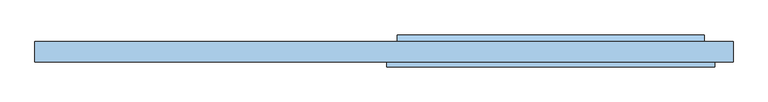
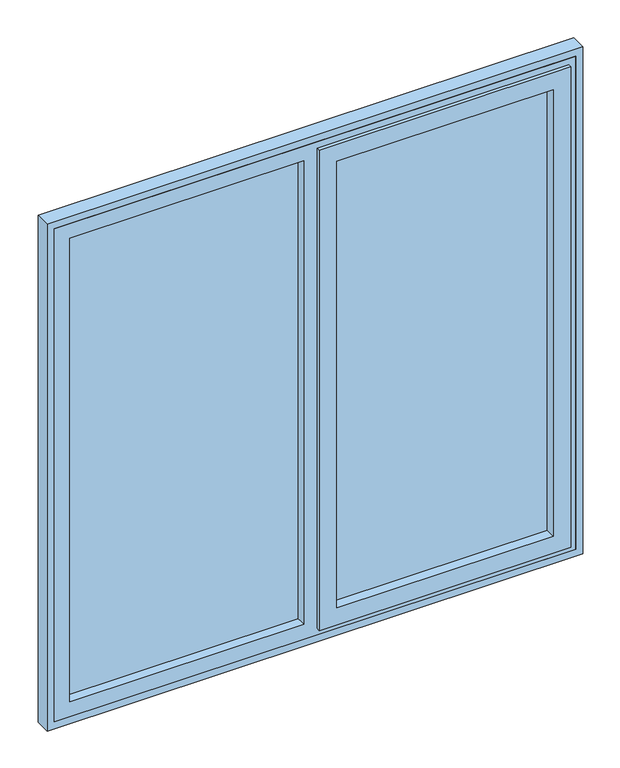
"""IFC4 building model written with IfcOpenShell, lengths in millimetres: window geometry."""

from ifc_helpers import new_model, si_unit, frame, origin, place, context, project, spatial, polyline, outline, extrude, faceted_brep, source, transform, mapped, element, save


def window_13d6cb71(model_context):
    return source(origin(), model_context, "Body", "SolidModel", [
        extrude(outline(polyline([(-31.0, 84.0), (-686.0, 84.0), (-686.0, 90.0), (-31.0, 90.0), (-31.0, 84.0)])), frame((0.0, 0.0, 964.0), z_axis=(0.0, 0.0, 1.0), x_axis=(1.0, 0.0, 0.0)), (0.0, 0.0, 1.0), 1372.0),
        faceted_brep([(6.0, 46.0, 939.0), (6.0, 56.0, 939.0), (711.0, 56.0, 939.0), (711.0, 46.0, 939.0), (37.0, 90.0, 970.0), (37.0, 100.0, 970.0), (680.0, 100.0, 970.0), (680.0, 90.0, 970.0), (56.0, 100.0, 989.0), (56.0, 46.0, 989.0), (661.0, 46.0, 989.0), (661.0, 100.0, 989.0), (711.0, 56.0, 2361.0), (711.0, 46.0, 2361.0), (680.0, 100.0, 2330.0), (680.0, 90.0, 2330.0), (661.0, 46.0, 2311.0), (661.0, 100.0, 2311.0), (6.0, 56.0, 2361.0), (6.0, 46.0, 2361.0), (37.0, 100.0, 2330.0), (37.0, 90.0, 2330.0), (56.0, 46.0, 2311.0), (56.0, 100.0, 2311.0), (31.0, 90.0, 964.0), (31.0, 90.0, 2336.0), (686.0, 90.0, 2336.0), (686.0, 90.0, 964.0), (31.0, 56.0, 964.0), (686.0, 56.0, 964.0), (686.0, 56.0, 2336.0), (31.0, 56.0, 2336.0)], [[[0, 1, 2, 3]], [[4, 5, 6, 7]], [[8, 9, 10, 11]], [[3, 2, 12, 13]], [[7, 6, 14, 15]], [[11, 10, 16, 17]], [[13, 12, 18, 19]], [[15, 14, 20, 21]], [[17, 16, 22, 23]], [[19, 18, 1, 0]], [[5, 20, 14, 6], [11, 17, 23, 8]], [[21, 20, 5, 4]], [[24, 25, 26, 27], [7, 15, 21, 4]], [[23, 22, 9, 8]], [[3, 13, 19, 0], [9, 22, 16, 10]], [[28, 24, 27, 29]], [[29, 27, 26, 30]], [[30, 26, 25, 31]], [[1, 18, 12, 2], [29, 30, 31, 28]], [[31, 25, 24, 28]]]),
        extrude(outline(polyline([(661.0, 74.0), (56.0, 74.0), (56.0, 90.0), (661.0, 90.0), (661.0, 74.0)])), frame((0.0, 0.0, 989.0), z_axis=(0.0, 0.0, 1.0), x_axis=(1.0, 0.0, 0.0)), (0.0, 0.0, 1.0), 1322.0),
        extrude(outline(polyline([(115.0, 970.0), (100.0, 970.0), (100.0, 982.5), (115.0, 975.0), (115.0, 970.0)])), frame((29.0, 0.0, 0.0), z_axis=(1.0, 0.0, 0.0), x_axis=(0.0, 1.0, 0.0)), (0.0, 0.0, 1.0), 659.0),
        extrude(outline(polyline([(920.0, 730.0), (2380.0, 730.0), (2380.0, -730.0), (920.0, -730.0), (920.0, 730.0)]), holes=[polyline([(2336.0, -686.0), (2336.0, -31.0), (964.0, -31.0), (964.0, -686.0), (2336.0, -686.0)]), polyline([(2336.0, 686.0), (964.0, 686.0), (964.0, 31.0), (2336.0, 31.0), (2336.0, 686.0)])]), frame((0.0, 56.0, 0.0), z_axis=(0.0, 1.0, 0.0), x_axis=(0.0, 0.0, 1.0)), (0.0, 0.0, 1.0), 44.0),
        extrude(outline(polyline([(2400.0, 750.0), (2400.0, -750.0), (900.0, -750.0), (900.0, 750.0), (2400.0, 750.0)]), holes=[polyline([(920.0, -730.0), (2380.0, -730.0), (2380.0, 730.0), (920.0, 730.0), (920.0, -730.0)])]), frame((0.0, 56.0, 0.0), z_axis=(0.0, 1.0, 0.0), x_axis=(0.0, 0.0, 1.0)), (0.0, 0.0, 1.0), 44.0),
    ])


if __name__ == "__main__":
    model = new_model("IFC4")
    model_context = context("Model", 3, world=origin())
    ifc_project = project(units=[si_unit("LENGTHUNIT", "METRE", prefix="MILLI")], contexts=[model_context])
    site = spatial("IfcSite", under=ifc_project)
    building = spatial("IfcBuilding", under=site)
    placement = place(None, origin())
    window_shape = window_13d6cb71(model_context)
    element("IfcWindow", 1, at=placement, inside=building, context=model_context, shape_type="MappedRepresentation", body=[
        mapped(window_shape, transform((0.0, 0.0, 0.0), x_axis=(1.0, 0.0, 0.0), y_axis=(0.0, 1.0, 0.0), z_axis=(0.0, 0.0, 1.0))),
    ])
    save(model, "model.ifc")
